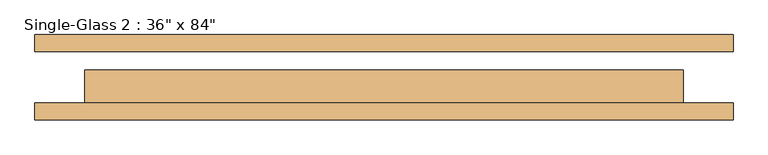
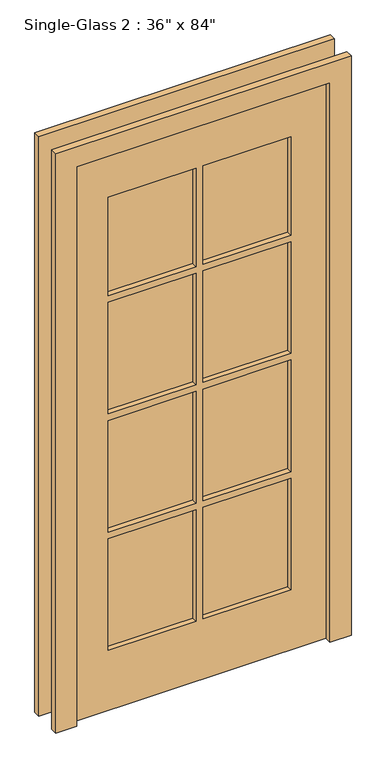
"""IFC4 building model written with IfcOpenShell, lengths in millimetres: door geometry."""

from ifc_helpers import new_model, si_unit, frame, origin, place, context, project, spatial, polyline, outline, extrude, source, transform, mapped, element, save


def door_7d3f4fb6(model_context):
    return source(origin(), model_context, "Body", "SweptSolid", [
        extrude(outline(polyline([(2209.8, 558.8), (2209.8, -508.0), (0.0, -508.0), (0.0, -431.8), (2133.6, -431.8), (2133.6, 482.6), (0.0, 482.6), (0.0, 558.8), (2209.8, 558.8)])), frame((0.0, 39.6875, 0.0), z_axis=(0.0, 1.0, 0.0), x_axis=(0.0, 0.0, 1.0)), (0.0, 0.0, 1.0), 25.4),
        extrude(outline(polyline([(2209.8, -508.0), (0.0, -508.0), (0.0, -431.8), (2133.6, -431.8), (2133.6, 482.6), (0.0, 482.6), (0.0, 558.8), (2209.8, 558.8), (2209.8, -508.0)])), frame((0.0, -65.0875, 0.0), z_axis=(0.0, 1.0, 0.0), x_axis=(0.0, 0.0, 1.0)), (0.0, 0.0, 1.0), 25.4),
        extrude(outline(polyline([(2133.6, 482.6), (2133.6, -431.8), (0.0, -431.8), (0.0, 482.6), (2133.6, 482.6)]), holes=[polyline([(1955.8, 12.7), (1581.15, 12.7), (1581.15, -304.8), (1955.8, -304.8), (1955.8, 12.7)]), polyline([(1955.8, 355.6), (1581.15, 355.6), (1581.15, 38.1), (1955.8, 38.1), (1955.8, 355.6)]), polyline([(1555.75, 12.7), (1130.3, 12.7), (1130.3, -304.8), (1555.75, -304.8), (1555.75, 12.7)]), polyline([(1555.75, 355.6), (1130.3, 355.6), (1130.3, 38.1), (1555.75, 38.1), (1555.75, 355.6)]), polyline([(1104.9, 12.7), (679.45, 12.7), (679.45, -304.8), (1104.9, -304.8), (1104.9, 12.7)]), polyline([(1104.9, 355.6), (679.45, 355.6), (679.45, 38.1), (1104.9, 38.1), (1104.9, 355.6)]), polyline([(654.05, 12.7), (228.6, 12.7), (228.6, -304.8), (654.05, -304.8), (654.05, 12.7)]), polyline([(654.05, 355.6), (228.6, 355.6), (228.6, 38.1), (654.05, 38.1), (654.05, 355.6)])]), frame((0.0, -39.6875, 0.0), z_axis=(0.0, 1.0, 0.0), x_axis=(0.0, 0.0, 1.0)), (0.0, 0.0, 1.0), 50.8),
        extrude(outline(polyline([(12.7, -7.9375), (12.7, -20.6375), (-304.8, -20.6375), (-304.8, -7.9375), (12.7, -7.9375)])), frame((0.0, 0.0, 1581.15), z_axis=(0.0, 0.0, 1.0), x_axis=(1.0, 0.0, 0.0)), (0.0, 0.0, 1.0), 374.65),
        extrude(outline(polyline([(355.6, -7.9375), (355.6, -20.6375), (38.1, -20.6375), (38.1, -7.9375), (355.6, -7.9375)])), frame((0.0, 0.0, 1581.15), z_axis=(0.0, 0.0, 1.0), x_axis=(1.0, 0.0, 0.0)), (0.0, 0.0, 1.0), 374.65),
        extrude(outline(polyline([(355.6, -7.9375), (355.6, -20.6375), (38.1, -20.6375), (38.1, -7.9375), (355.6, -7.9375)])), frame((0.0, 0.0, 1130.3), z_axis=(0.0, 0.0, 1.0), x_axis=(1.0, 0.0, 0.0)), (0.0, 0.0, 1.0), 425.45),
        extrude(outline(polyline([(12.7, -7.9375), (12.7, -20.6375), (-304.8, -20.6375), (-304.8, -7.9375), (12.7, -7.9375)])), frame((0.0, 0.0, 1130.3), z_axis=(0.0, 0.0, 1.0), x_axis=(1.0, 0.0, 0.0)), (0.0, 0.0, 1.0), 425.45),
        extrude(outline(polyline([(12.7, -7.9375), (12.7, -20.6375), (-304.8, -20.6375), (-304.8, -7.9375), (12.7, -7.9375)])), frame((0.0, 0.0, 679.45), z_axis=(0.0, 0.0, 1.0), x_axis=(1.0, 0.0, 0.0)), (0.0, 0.0, 1.0), 425.45),
        extrude(outline(polyline([(355.6, -7.9375), (355.6, -20.6375), (38.1, -20.6375), (38.1, -7.9375), (355.6, -7.9375)])), frame((0.0, 0.0, 679.45), z_axis=(0.0, 0.0, 1.0), x_axis=(1.0, 0.0, 0.0)), (0.0, 0.0, 1.0), 425.45),
        extrude(outline(polyline([(355.6, -7.9375), (355.6, -20.6375), (38.1, -20.6375), (38.1, -7.9375), (355.6, -7.9375)])), frame((0.0, 0.0, 228.6), z_axis=(0.0, 0.0, 1.0), x_axis=(1.0, 0.0, 0.0)), (0.0, 0.0, 1.0), 425.45),
        extrude(outline(polyline([(12.7, -7.9375), (12.7, -20.6375), (-304.8, -20.6375), (-304.8, -7.9375), (12.7, -7.9375)])), frame((0.0, 0.0, 228.6), z_axis=(0.0, 0.0, 1.0), x_axis=(1.0, 0.0, 0.0)), (0.0, 0.0, 1.0), 425.45),
    ])


if __name__ == "__main__":
    model = new_model("IFC4")
    model_context = context("Model", 3, world=origin())
    ifc_project = project(units=[si_unit("LENGTHUNIT", "METRE", prefix="MILLI")], contexts=[model_context])
    site = spatial("IfcSite", under=ifc_project)
    building = spatial("IfcBuilding", under=site)
    placement = place(None, origin())
    door_shape = door_7d3f4fb6(model_context)
    element("IfcDoor", 1, ObjectType="Single-Glass 2 : 36\" x 84\"", at=placement, inside=building, context=model_context, shape_type="MappedRepresentation", body=[
        mapped(door_shape, transform((0.0, 0.0, 0.0), x_axis=(1.0, 0.0, 0.0), y_axis=(0.0, 1.0, 0.0), z_axis=(0.0, 0.0, 1.0))),
    ])
    save(model, "model.ifc")
